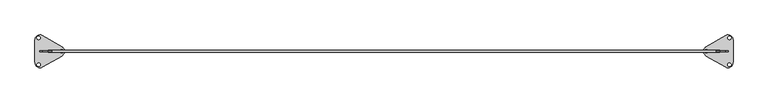
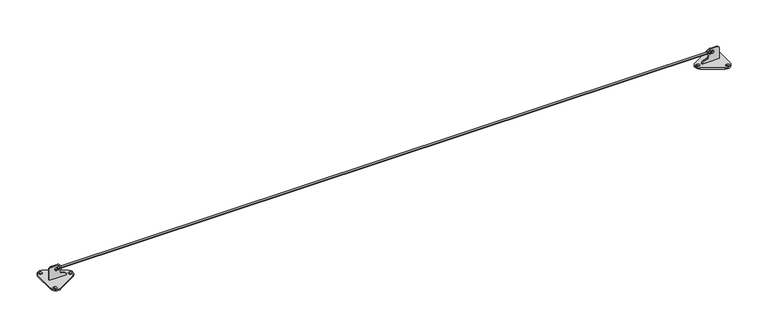
"""IFC4 building model written with IfcOpenShell, lengths in millimetres: proxy geometry."""

from ifc_helpers import new_model, si_unit, point, frame, frame_2d, origin, origin_with_axes, place, context, project, spatial, polyline, circle_curve, trimmed, segment, composite_curve, outline, extrude, source, transform, mapped, element, save


def specialty_equipment_4b3e19fd(model_context):
    return source(origin(), model_context, "Body", "SweptSolid", [
        extrude(outline(composite_curve([segment(polyline([(6.0, 3193.0336425), (6.0, 3277.0336425), (57.0, 3277.0336425)]), True, "CONTINUOUS"), segment(trimmed(circle_curve(frame_2d((57.0, 3264.0336425)), 13.0), [point((57.0, 3277.0336425))], [point((70.0, 3264.0336425))], False, "CARTESIAN"), True, "CONTINUOUS"), segment(polyline([(70.0, 3264.0336425), (70.0, 3237.0336425)]), True, "CONTINUOUS"), segment(trimmed(circle_curve(frame_2d((52.0, 3237.0336425)), 18.0), [point((70.0, 3237.0336425))], [point((40.5782653, 3223.1216341))], False, "CARTESIAN"), True, "CONTINUOUS"), segment(trimmed(circle_curve(frame_2d((34.2328572, 3215.3927406)), 10.0), [point((40.5782653, 3223.1216341))], [point((24.8874766, 3218.9513727))], True, "CARTESIAN"), True, "CONTINUOUS"), segment(polyline([(24.8874766, 3218.9513727), (18.3141191, 3201.6889734)]), True, "CONTINUOUS"), segment(trimmed(circle_curve(frame_2d((5.7533535, 3206.4719936)), 13.4406143), [point((18.3141191, 3201.6889734))], [point((6.0, 3193.0336425))], False, "CARTESIAN"), True, "CONTINUOUS")], self_intersect=False), holes=[composite_curve([segment(trimmed(circle_curve(frame_2d((52.4243022, 3233.1118023)), 8.0), [point((44.4243022, 3233.1118023))], [point((60.4243022, 3233.1118023))], True, "CARTESIAN"), True, "CONTINUOUS"), segment(polyline([(60.4243022, 3233.1118023), (60.4243022, 3241.1118023)]), True, "CONTINUOUS"), segment(trimmed(circle_curve(frame_2d((52.4243022, 3241.1118023)), 8.0), [point((60.4243022, 3241.1118023))], [point((44.4243022, 3241.1118023))], True, "CARTESIAN"), True, "CONTINUOUS"), segment(polyline([(44.4243022, 3241.1118023), (44.4243022, 3233.1118023)]), True, "CONTINUOUS")], self_intersect=False)]), frame((0.0, -3.0114449, 0.0), z_axis=(0.0, 1.0, 0.0), x_axis=(0.0, 0.0, 1.0)), (0.0, 0.0, 1.0), 6.0),
        extrude(outline(composite_curve([segment(polyline([(3300.0408446, 53.0576482), (3300.0408446, -52.3557285)]), True, "CONTINUOUS"), segment(trimmed(circle_curve(frame_2d((3274.8408446, -52.3557285)), 25.2), [point((3300.0408446, -52.3557285))], [point((3262.1841479, -74.1467365))], False, "CARTESIAN"), True, "CONTINUOUS"), segment(polyline([(3262.1841479, -74.1467365), (3172.8770487, -22.2752089)]), True, "CONTINUOUS"), segment(trimmed(circle_curve(frame_2d((3185.8475862, 0.0561381)), 25.8248698), [point((3172.8770487, -22.2752089))], [point((3172.9933411, 22.4546266))], False, "CARTESIAN"), True, "CONTINUOUS"), segment(polyline([(3172.9933411, 22.4546266), (3263.3460493, 74.3070473)]), True, "CONTINUOUS"), segment(trimmed(circle_curve(frame_2d((3275.5408446, 53.0576482)), 24.5), [point((3263.3460493, 74.3070473))], [point((3300.0408446, 53.0576482))], False, "CARTESIAN"), True, "CONTINUOUS")], self_intersect=False), holes=[composite_curve([segment(trimmed(circle_curve(frame_2d((3173.7499076, -0.0114449)), 8.0), [point((3173.7499076, 7.9885551))], [point((3173.7499076, -8.0114449))], True, "CARTESIAN"), True, "CONTINUOUS"), segment(trimmed(circle_curve(frame_2d((3173.7499076, -0.0114449)), 8.0), [point((3173.7499076, -8.0114449))], [point((3173.7499076, 7.9885551))], True, "CARTESIAN"), True, "CONTINUOUS")], self_intersect=False), composite_curve([segment(trimmed(circle_curve(frame_2d((3282.7049474, -63.2949285)), 8.0), [point((3282.7049474, -55.2949285))], [point((3282.7049474, -71.2949285))], True, "CARTESIAN"), True, "CONTINUOUS"), segment(trimmed(circle_curve(frame_2d((3282.7049474, -63.2949285)), 8.0), [point((3282.7049474, -71.2949285))], [point((3282.7049474, -55.2949285))], True, "CARTESIAN"), True, "CONTINUOUS")], self_intersect=False), composite_curve([segment(trimmed(circle_curve(frame_2d((3282.7049474, 63.2720387)), 8.0), [point((3282.7049474, 71.2720387))], [point((3282.7049474, 55.2720387))], True, "CARTESIAN"), True, "CONTINUOUS"), segment(trimmed(circle_curve(frame_2d((3282.7049474, 63.2720387)), 8.0), [point((3282.7049474, 55.2720387))], [point((3282.7049474, 71.2720387))], True, "CARTESIAN"), True, "CONTINUOUS")], self_intersect=False)]), origin_with_axes(), (0.0, 0.0, 1.0), 6.0),
        extrude(outline(composite_curve([segment(trimmed(circle_curve(frame_2d((5.7533535, 93.5280064)), 13.4406143), [point((6.0, 106.9663575))], [point((18.3141191, 98.3110266))], False, "CARTESIAN"), True, "CONTINUOUS"), segment(polyline([(18.3141191, 98.3110266), (24.8874766, 81.0486273)]), True, "CONTINUOUS"), segment(trimmed(circle_curve(frame_2d((34.2328572, 84.6072594)), 10.0), [point((24.8874766, 81.0486273))], [point((40.5782653, 76.8783659))], True, "CARTESIAN"), True, "CONTINUOUS"), segment(trimmed(circle_curve(frame_2d((52.0, 62.9663575)), 18.0), [point((40.5782653, 76.8783659))], [point((70.0, 62.9663575))], False, "CARTESIAN"), True, "CONTINUOUS"), segment(polyline([(70.0, 62.9663575), (70.0, 35.9663575)]), True, "CONTINUOUS"), segment(trimmed(circle_curve(frame_2d((57.0, 35.9663575)), 13.0), [point((70.0, 35.9663575))], [point((57.0, 22.9663575))], False, "CARTESIAN"), True, "CONTINUOUS"), segment(polyline([(57.0, 22.9663575), (6.0, 22.9663575), (6.0, 106.9663575)]), True, "CONTINUOUS")], self_intersect=False), holes=[composite_curve([segment(polyline([(44.4243022, 66.8881977), (44.4243022, 58.8881977)]), True, "CONTINUOUS"), segment(trimmed(circle_curve(frame_2d((52.4243022, 58.8881977)), 8.0), [point((44.4243022, 58.8881977))], [point((60.4243022, 58.8881977))], True, "CARTESIAN"), True, "CONTINUOUS"), segment(polyline([(60.4243022, 58.8881977), (60.4243022, 66.8881977)]), True, "CONTINUOUS"), segment(trimmed(circle_curve(frame_2d((52.4243022, 66.8881977)), 8.0), [point((60.4243022, 66.8881977))], [point((44.4243022, 66.8881977))], True, "CARTESIAN"), True, "CONTINUOUS")], self_intersect=False)]), frame((0.0, -3.0129633, 0.0), z_axis=(0.0, 1.0, 0.0), x_axis=(0.0, 0.0, 1.0)), (0.0, 0.0, 1.0), 6.0),
        extrude(outline(composite_curve([segment(trimmed(circle_curve(frame_2d((24.4591554, 53.0561298)), 24.5), [point((-0.0408446, 53.0561298))], [point((36.6539507, 74.305529))], False, "CARTESIAN"), True, "CONTINUOUS"), segment(polyline([(36.6539507, 74.305529), (127.0066589, 22.4531082)]), True, "CONTINUOUS"), segment(trimmed(circle_curve(frame_2d((114.1524138, 0.0546197)), 25.8248698), [point((127.0066589, 22.4531082))], [point((127.1229513, -22.2767273))], False, "CARTESIAN"), True, "CONTINUOUS"), segment(polyline([(127.1229513, -22.2767273), (37.8158521, -74.1482548)]), True, "CONTINUOUS"), segment(trimmed(circle_curve(frame_2d((25.1591554, -52.3572469)), 25.2), [point((37.8158521, -74.1482548))], [point((-0.0408446, -52.3572469))], False, "CARTESIAN"), True, "CONTINUOUS"), segment(polyline([(-0.0408446, -52.3572469), (-0.0408446, 53.0561298)]), True, "CONTINUOUS")], self_intersect=False), holes=[composite_curve([segment(trimmed(circle_curve(frame_2d((126.2500924, -0.0129633)), 8.0), [point((126.2500924, 7.9870367))], [point((126.2500924, -8.0129633))], True, "CARTESIAN"), True, "CONTINUOUS"), segment(trimmed(circle_curve(frame_2d((126.2500924, -0.0129633)), 8.0), [point((126.2500924, -8.0129633))], [point((126.2500924, 7.9870367))], True, "CARTESIAN"), True, "CONTINUOUS")], self_intersect=False), composite_curve([segment(trimmed(circle_curve(frame_2d((17.2950526, -63.2964469)), 8.0), [point((17.2950526, -55.2964469))], [point((17.2950526, -71.2964469))], True, "CARTESIAN"), True, "CONTINUOUS"), segment(trimmed(circle_curve(frame_2d((17.2950526, -63.2964469)), 8.0), [point((17.2950526, -71.2964469))], [point((17.2950526, -55.2964469))], True, "CARTESIAN"), True, "CONTINUOUS")], self_intersect=False), composite_curve([segment(trimmed(circle_curve(frame_2d((17.2950526, 63.2705204)), 8.0), [point((17.2950526, 71.2705204))], [point((17.2950526, 55.2705204))], True, "CARTESIAN"), True, "CONTINUOUS"), segment(trimmed(circle_curve(frame_2d((17.2950526, 63.2705204)), 8.0), [point((17.2950526, 55.2705204))], [point((17.2950526, 71.2705204))], True, "CARTESIAN"), True, "CONTINUOUS")], self_intersect=False)]), origin_with_axes(), (0.0, 0.0, 1.0), 6.0),
        extrude(outline(composite_curve([segment(trimmed(circle_curve(frame_2d((0.0, 52.4)), 4.0), [point((-4.0, 52.4))], [point((4.0, 52.4))], False, "CARTESIAN"), True, "CONTINUOUS"), segment(trimmed(circle_curve(frame_2d((0.0, 52.4)), 4.0), [point((4.0, 52.4))], [point((-4.0, 52.4))], False, "CARTESIAN"), True, "CONTINUOUS")], self_intersect=False)), frame((63.8, 0.0, 0.0), z_axis=(1.0, 0.0, 0.0), x_axis=(0.0, 1.0, 0.0)), (0.0, 0.0, 1.0), 3172.4),
    ])


if __name__ == "__main__":
    model = new_model("IFC4")
    model_context = context("Model", 3, world=origin())
    ifc_project = project(units=[si_unit("LENGTHUNIT", "METRE", prefix="MILLI")], contexts=[model_context])
    site = spatial("IfcSite", under=ifc_project)
    building = spatial("IfcBuilding", under=site)
    placement = place(None, origin())
    specialty_equipment_shape = specialty_equipment_4b3e19fd(model_context)
    element("IfcBuildingElementProxy", 1, Name="Specialty Equipment", at=placement, inside=building, context=model_context, shape_type="MappedRepresentation", body=[
        mapped(specialty_equipment_shape, transform((0.0, 0.0, 0.0), x_axis=(1.0, 0.0, 0.0), y_axis=(0.0, 1.0, 0.0), z_axis=(0.0, 0.0, 1.0))),
    ])
    save(model, "model.ifc")
